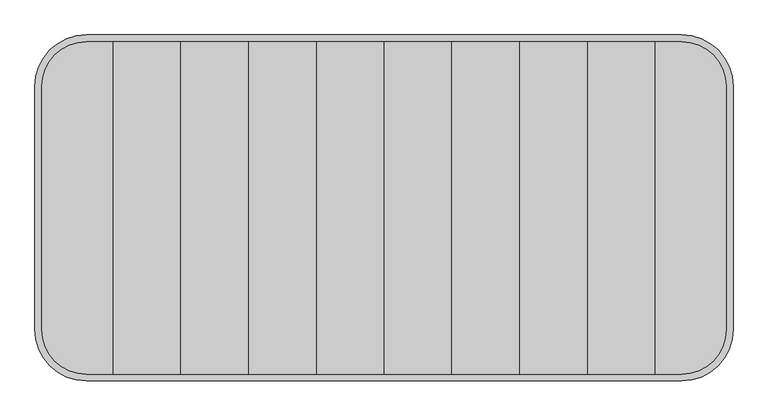
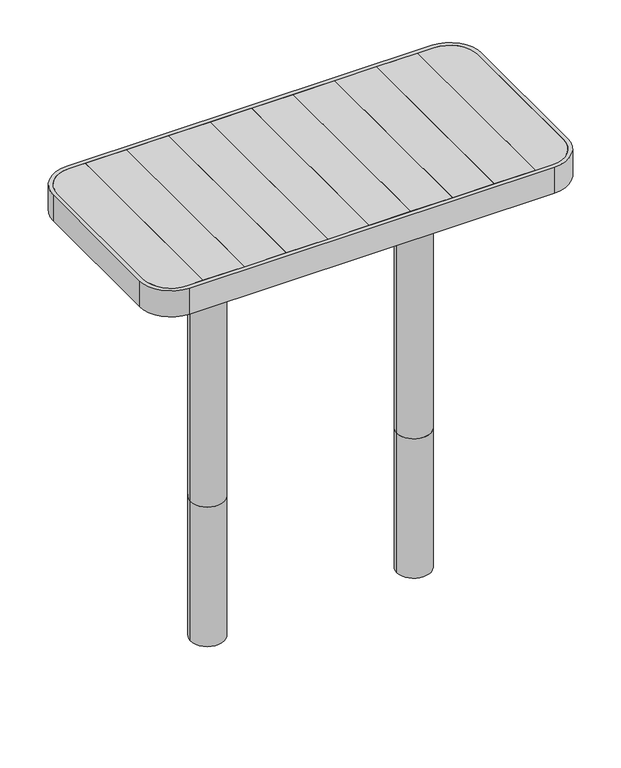
"""IFC4 building model written with IfcOpenShell, lengths in millimetres: furniture geometry."""

from ifc_helpers import new_model, si_unit, point, frame, frame_2d, origin, origin_with_axes, place, context, project, spatial, polyline, circle_curve, trimmed, segment, composite_curve, outline, extrude, source, transform, mapped, element, save
from ifc_brep_helpers import plane_surface, cylinder_surface, advanced_brep


def furniture_20cd4651(model_context):
    return source(origin(), model_context, "Body", "SolidModel", [
        extrude(outline(composite_curve([segment(polyline([(498.4574582, 177.0), (498.4574582, -177.0)]), True, "CONTINUOUS"), segment(trimmed(circle_curve(frame_2d((433.4574582, -177.0)), 65.0), [point((498.4574582, -177.0))], [point((433.4574582, -242.0))], False, "CARTESIAN"), True, "CONTINUOUS"), segment(polyline([(433.4574582, -242.0), (394.8, -242.0), (394.8, 242.0), (433.4574582, 242.0)]), True, "CONTINUOUS"), segment(trimmed(circle_curve(frame_2d((433.4574582, 177.0)), 65.0), [point((433.4574582, 242.0))], [point((498.4574582, 177.0))], False, "CARTESIAN"), True, "CONTINUOUS")], self_intersect=False)), frame((0.0, 0.0, 712.0), z_axis=(0.0, 0.0, 1.0), x_axis=(1.0, 0.0, 0.0)), (0.0, 0.0, 1.0), 28.0),
        extrude(outline(polyline([(296.1, -242.0), (197.4, -242.0), (197.4, 242.0), (296.1, 242.0), (296.1, -242.0)])), frame((0.0, 0.0, 712.0), z_axis=(0.0, 0.0, 1.0), x_axis=(1.0, 0.0, 0.0)), (0.0, 0.0, 1.0), 28.0),
        extrude(outline(polyline([(197.4, -242.0), (98.7, -242.0), (98.7, 242.0), (197.4, 242.0), (197.4, -242.0)])), frame((0.0, 0.0, 712.0), z_axis=(0.0, 0.0, 1.0), x_axis=(1.0, 0.0, 0.0)), (0.0, 0.0, 1.0), 28.0),
        extrude(outline(polyline([(98.7, -242.0), (0.0, -242.0), (0.0, 242.0), (98.7, 242.0), (98.7, -242.0)])), frame((0.0, 0.0, 712.0), z_axis=(0.0, 0.0, 1.0), x_axis=(1.0, 0.0, 0.0)), (0.0, 0.0, 1.0), 28.0),
        extrude(outline(polyline([(394.8, -242.0), (296.1, -242.0), (296.1, 242.0), (394.8, 242.0), (394.8, -242.0)])), frame((0.0, 0.0, 712.0), z_axis=(0.0, 0.0, 1.0), x_axis=(1.0, 0.0, 0.0)), (0.0, 0.0, 1.0), 28.0),
        extrude(outline(composite_curve([segment(trimmed(circle_curve(frame_2d((-433.4574582, 177.0)), 65.0), [point((-498.4574582, 177.0))], [point((-433.4574582, 242.0))], False, "CARTESIAN"), True, "CONTINUOUS"), segment(polyline([(-433.4574582, 242.0), (-394.8, 242.0), (-394.8, -242.0), (-433.4574582, -242.0)]), True, "CONTINUOUS"), segment(trimmed(circle_curve(frame_2d((-433.4574582, -177.0)), 65.0), [point((-433.4574582, -242.0))], [point((-498.4574582, -177.0))], False, "CARTESIAN"), True, "CONTINUOUS"), segment(polyline([(-498.4574582, -177.0), (-498.4574582, 177.0)]), True, "CONTINUOUS")], self_intersect=False)), frame((0.0, 0.0, 712.0), z_axis=(0.0, 0.0, 1.0), x_axis=(1.0, 0.0, 0.0)), (0.0, 0.0, 1.0), 28.0),
        extrude(outline(polyline([(-197.4, -242.0), (-296.1, -242.0), (-296.1, 242.0), (-197.4, 242.0), (-197.4, -242.0)])), frame((0.0, 0.0, 712.0), z_axis=(0.0, 0.0, 1.0), x_axis=(1.0, 0.0, 0.0)), (0.0, 0.0, 1.0), 28.0),
        extrude(outline(polyline([(-98.7, -242.0), (-197.4, -242.0), (-197.4, 242.0), (-98.7, 242.0), (-98.7, -242.0)])), frame((0.0, 0.0, 712.0), z_axis=(0.0, 0.0, 1.0), x_axis=(1.0, 0.0, 0.0)), (0.0, 0.0, 1.0), 28.0),
        extrude(outline(polyline([(0.0, -242.0), (-98.7, -242.0), (-98.7, 242.0), (0.0, 242.0), (0.0, -242.0)])), frame((0.0, 0.0, 712.0), z_axis=(0.0, 0.0, 1.0), x_axis=(1.0, 0.0, 0.0)), (0.0, 0.0, 1.0), 28.0),
        extrude(outline(polyline([(-296.1, -242.0), (-394.8, -242.0), (-394.8, 242.0), (-296.1, 242.0), (-296.1, -242.0)])), frame((0.0, 0.0, 712.0), z_axis=(0.0, 0.0, 1.0), x_axis=(1.0, 0.0, 0.0)), (0.0, 0.0, 1.0), 28.0),
        extrude(outline(composite_curve([segment(trimmed(circle_curve(frame_2d((244.75, 0.0)), 40.0), [point((284.75, 0.0))], [point((204.75, 0.0))], False, "CARTESIAN"), True, "CONTINUOUS"), segment(trimmed(circle_curve(frame_2d((244.75, 0.0)), 40.0), [point((204.75, 0.0))], [point((284.75, 0.0))], False, "CARTESIAN"), True, "CONTINUOUS")], self_intersect=False)), origin_with_axes(), (0.0, 0.0, 1.0), 708.0),
        extrude(outline(composite_curve([segment(trimmed(circle_curve(frame_2d((-244.75, 0.0)), 40.0), [point((-284.75, 0.0))], [point((-204.75, 0.0))], False, "CARTESIAN"), True, "CONTINUOUS"), segment(trimmed(circle_curve(frame_2d((-244.75, 0.0)), 40.0), [point((-204.75, 0.0))], [point((-284.75, 0.0))], False, "CARTESIAN"), True, "CONTINUOUS")], self_intersect=False)), origin_with_axes(), (0.0, 0.0, 1.0), 708.0),
        advanced_brep(
        [(-498.4574582, 177.0, 708.0), (-433.4574582, 242.0, 708.0), (433.4574582, 242.0, 708.0), (498.4574582, 177.0, 708.0), (498.4574582, -177.0, 708.0), (433.4574582, -242.0, 708.0), (-433.4574582, -242.0, 708.0), (-498.4574582, -177.0, 708.0), (-284.75, -142.0, 708.0), (-284.75, 142.0, 708.0), (-399.8, 141.9868511, 708.0), (-399.8, -142.0, 708.0), (-203.7333261, 142.0, 708.0), (-203.7333261, -142.0, 708.0), (203.7333261, -142.0, 708.0), (203.7333261, 142.0, 708.0), (399.8, 141.9868511, 708.0), (284.75, 141.9893576, 708.0), (284.75, -142.0, 708.0), (399.8, -142.0, 708.0), (-284.75, -142.0, 712.0), (-284.75, 142.0, 712.0), (-498.4574582, 177.0, 712.0), (-498.4574582, -177.0, 712.0), (-433.4574582, -242.0, 712.0), (433.4574582, -242.0, 712.0), (498.4574582, -177.0, 712.0), (498.4574582, 177.0, 712.0), (433.4574582, 242.0, 712.0), (-433.4574582, 242.0, 712.0), (-399.8, -142.0, 712.0), (-399.8, 141.9868511, 712.0), (-203.7333261, -142.0, 712.0), (-203.7333261, 142.0, 712.0), (203.7333261, 141.9911227, 712.0), (203.7333261, -142.0, 712.0), (399.8, -142.0, 712.0), (284.75, -142.0, 712.0), (284.75, 142.0, 712.0), (399.8, 141.9868511, 712.0)],
        [
            (0, 1, circle_curve(frame((-433.4574582, 177.0, 708.0), z_axis=(0.0, 0.0, -1.0), x_axis=(1.0, 0.0, 0.0)), 65.0)),
            (1, 2),
            (2, 3, circle_curve(frame((433.4574582, 177.0, 708.0), z_axis=(0.0, 0.0, -1.0), x_axis=(-1.0, 0.0, 0.0)), 65.0)),
            (3, 4),
            (4, 5, circle_curve(frame((433.4574582, -177.0, 708.0), z_axis=(0.0, 0.0, -1.0), x_axis=(-1.0, 0.0, 0.0)), 65.0)),
            (5, 6),
            (6, 7, circle_curve(frame((-433.4574582, -177.0, 708.0), z_axis=(0.0, 0.0, -1.0), x_axis=(1.0, 0.0, 0.0)), 65.0)),
            (7, 0),
            (8, 9),
            (9, 10),
            (10, 11),
            (11, 8),
            (12, 13),
            (13, 14),
            (14, 15),
            (15, 12),
            (16, 17),
            (17, 18),
            (18, 19),
            (19, 16),
            (8, 20),
            (20, 21),
            (21, 9),
            (22, 23),
            (23, 24, circle_curve(frame((-433.4574582, -177.0, 712.0), z_axis=(0.0, 0.0, 1.0), x_axis=(1.0, 0.0, 0.0)), 65.0)),
            (24, 25),
            (25, 26, circle_curve(frame((433.4574582, -177.0, 712.0), z_axis=(0.0, 0.0, 1.0), x_axis=(-1.0, 0.0, 0.0)), 65.0)),
            (26, 27),
            (27, 28, circle_curve(frame((433.4574582, 177.0, 712.0), z_axis=(0.0, 0.0, 1.0), x_axis=(-1.0, 0.0, 0.0)), 65.0)),
            (28, 29),
            (29, 22, circle_curve(frame((-433.4574582, 177.0, 712.0), z_axis=(0.0, 0.0, 1.0), x_axis=(1.0, 0.0, 0.0)), 65.0)),
            (20, 30),
            (30, 31),
            (31, 21),
            (32, 33),
            (33, 34),
            (34, 35),
            (35, 32),
            (36, 37),
            (37, 38),
            (38, 39),
            (39, 36),
            (12, 33),
            (32, 13),
            (22, 0),
            (7, 23),
            (6, 24),
            (5, 25),
            (4, 26),
            (3, 27),
            (2, 28),
            (1, 29),
            (15, 34),
            (31, 10),
            (16, 39),
            (38, 17),
            (19, 36),
            (35, 14),
            (18, 37),
            (11, 30),
        ],
        [
            plane_surface(frame((-284.75, -142.0, 708.0), z_axis=(0.0, 0.0, -1.0), x_axis=(0.0, 1.0, 0.0))),
            plane_surface(frame((-284.75, -142.0, 712.0), z_axis=(-1.0, 0.0, 0.0), x_axis=(0.0, 1.0, 0.0))),
            plane_surface(frame((-203.7333261, -142.0, 712.0), z_axis=(0.0, 0.0, 1.0), x_axis=(0.0, 1.0, 0.0))),
            plane_surface(frame((-203.7333261, -142.0, 708.0), z_axis=(1.0, 0.0, 0.0), x_axis=(0.0, 1.0, 0.0))),
            plane_surface(frame((-498.4574582, 177.0, 712.0), z_axis=(-1.0, 0.0, 0.0), x_axis=(0.0, 0.0, -1.0))),
            cylinder_surface(frame((-433.4574582, -177.0, 708.0), z_axis=(0.0, 0.0, 1.0), x_axis=(1.0, 0.0, 0.0)), 65.0),
            plane_surface(frame((-433.4574582, -242.0, 712.0), z_axis=(0.0, -1.0, 0.0), x_axis=(0.0, 0.0, -1.0))),
            cylinder_surface(frame((433.4574582, -177.0, 708.0), z_axis=(0.0, 0.0, 1.0), x_axis=(-1.0, 0.0, 0.0)), 65.0),
            plane_surface(frame((498.4574582, -177.0, 712.0), z_axis=(1.0, 0.0, 0.0), x_axis=(0.0, 0.0, -1.0))),
            cylinder_surface(frame((433.4574582, 177.0, 708.0), z_axis=(0.0, 0.0, 1.0), x_axis=(-1.0, 0.0, 0.0)), 65.0),
            plane_surface(frame((433.4574582, 242.0, 712.0), z_axis=(0.0, 1.0, 0.0), x_axis=(0.0, 0.0, -1.0))),
            cylinder_surface(frame((-433.4574582, 177.0, 708.0), z_axis=(0.0, 0.0, 1.0), x_axis=(1.0, 0.0, 0.0)), 65.0),
            plane_surface(frame((-399.8, 141.9868511, 712.0), z_axis=(0.0, -1.0, 0.0), x_axis=(0.0, 0.0, -1.0))),
            plane_surface(frame((399.8, 141.9868511, 712.0), z_axis=(-1.0, 0.0, 0.0), x_axis=(0.0, 0.0, -1.0))),
            plane_surface(frame((399.8, -142.0, 712.0), z_axis=(0.0, 1.0, 0.0), x_axis=(0.0, 0.0, -1.0))),
            plane_surface(frame((-399.8, -142.0, 712.0), z_axis=(1.0, 0.0, 0.0), x_axis=(0.0, 0.0, -1.0))),
            plane_surface(frame((284.75, -142.0, 708.0), z_axis=(1.0, 0.0, 0.0), x_axis=(0.0, 1.0, 0.0))),
            plane_surface(frame((203.7333261, -142.0, 712.0), z_axis=(-1.0, 0.0, 0.0), x_axis=(0.0, 1.0, 0.0))),
        ],
        [
            (0, [[1, 2, 3, 4, 5, 6, 7, 8], [9, 10, 11, 12], [13, 14, 15, 16], [17, 18, 19, 20]]),
            (1, [[-9, 21, 22, 23]]),
            (2, [[24, 25, 26, 27, 28, 29, 30, 31], [-22, 32, 33, 34], [35, 36, 37, 38], [39, 40, 41, 42]]),
            (3, [[-13, 43, -35, 44]]),
            (4, [[-24, 45, -8, 46]]),
            (5, [[-25, -46, -7, 47]]),
            (6, [[-26, -47, -6, 48]]),
            (7, [[-27, -48, -5, 49]]),
            (8, [[-28, -49, -4, 50]]),
            (9, [[-29, -50, -3, 51]]),
            (10, [[-30, -51, -2, 52]]),
            (11, [[-31, -52, -1, -45]]),
            (12, [[-43, -16, 53, -36]]),
            (12, [[54, -10, -23, -34]]),
            (12, [[55, -41, 56, -17]]),
            (13, [[-42, -55, -20, 57]]),
            (14, [[-44, -38, 58, -14]]),
            (14, [[-57, -19, 59, -39]]),
            (14, [[60, -32, -21, -12]]),
            (15, [[-33, -60, -11, -54]]),
            (16, [[-18, -56, -40, -59]]),
            (17, [[-15, -58, -37, -53]]),
        ],
    ),
        extrude(outline(composite_curve([segment(polyline([(508.4574582, 177.0), (508.4574582, -177.0)]), True, "CONTINUOUS"), segment(trimmed(circle_curve(frame_2d((433.4574582, -177.0)), 75.0), [point((508.4574582, -177.0))], [point((433.4574582, -252.0))], False, "CARTESIAN"), True, "CONTINUOUS"), segment(polyline([(433.4574582, -252.0), (-433.4574582, -252.0)]), True, "CONTINUOUS"), segment(trimmed(circle_curve(frame_2d((-433.4574582, -177.0)), 75.0), [point((-433.4574582, -252.0))], [point((-508.4574582, -177.0))], False, "CARTESIAN"), True, "CONTINUOUS"), segment(polyline([(-508.4574582, -177.0), (-508.4574582, 177.0)]), True, "CONTINUOUS"), segment(trimmed(circle_curve(frame_2d((-433.4574582, 177.0)), 75.0), [point((-508.4574582, 177.0))], [point((-433.4574582, 252.0))], False, "CARTESIAN"), True, "CONTINUOUS"), segment(polyline([(-433.4574582, 252.0), (433.4574582, 252.0)]), True, "CONTINUOUS"), segment(trimmed(circle_curve(frame_2d((433.4574582, 177.0)), 75.0), [point((433.4574582, 252.0))], [point((508.4574582, 177.0))], False, "CARTESIAN"), True, "CONTINUOUS")], self_intersect=False), holes=[composite_curve([segment(trimmed(circle_curve(frame_2d((-433.4574582, 177.0)), 65.0), [point((-433.4574582, 242.0))], [point((-498.4574582, 177.0))], True, "CARTESIAN"), True, "CONTINUOUS"), segment(polyline([(-498.4574582, 177.0), (-498.4574582, -177.0)]), True, "CONTINUOUS"), segment(trimmed(circle_curve(frame_2d((-433.4574582, -177.0)), 65.0), [point((-498.4574582, -177.0))], [point((-433.4574582, -242.0))], True, "CARTESIAN"), True, "CONTINUOUS"), segment(polyline([(-433.4574582, -242.0), (433.4574582, -242.0)]), True, "CONTINUOUS"), segment(trimmed(circle_curve(frame_2d((433.4574582, -177.0)), 65.0), [point((433.4574582, -242.0))], [point((498.4574582, -177.0))], True, "CARTESIAN"), True, "CONTINUOUS"), segment(polyline([(498.4574582, -177.0), (498.4574582, 177.0)]), True, "CONTINUOUS"), segment(trimmed(circle_curve(frame_2d((433.4574582, 177.0)), 65.0), [point((498.4574582, 177.0))], [point((433.4574582, 242.0))], True, "CARTESIAN"), True, "CONTINUOUS"), segment(polyline([(433.4574582, 242.0), (-433.4574582, 242.0)]), True, "CONTINUOUS")], self_intersect=False)]), frame((0.0, 0.0, 675.0000413), z_axis=(0.0, 0.0, 1.0), x_axis=(1.0, 0.0, 0.0)), (0.0, 0.0, 1.0), 64.9999587),
        extrude(outline(composite_curve([segment(trimmed(circle_curve(frame_2d((244.75, 0.0)), 40.0), [point((284.75, 0.0))], [point((204.75, 0.0))], False, "CARTESIAN"), True, "CONTINUOUS"), segment(trimmed(circle_curve(frame_2d((244.75, 0.0)), 40.0), [point((204.75, 0.0))], [point((284.75, 0.0))], False, "CARTESIAN"), True, "CONTINUOUS")], self_intersect=False)), frame((0.0, 0.0, -350.0), z_axis=(0.0, 0.0, 1.0), x_axis=(1.0, 0.0, 0.0)), (0.0, 0.0, 1.0), 350.0),
        extrude(outline(composite_curve([segment(trimmed(circle_curve(frame_2d((-244.75, 0.0)), 40.0), [point((-284.75, 0.0))], [point((-204.75, 0.0))], False, "CARTESIAN"), True, "CONTINUOUS"), segment(trimmed(circle_curve(frame_2d((-244.75, 0.0)), 40.0), [point((-204.75, 0.0))], [point((-284.75, 0.0))], False, "CARTESIAN"), True, "CONTINUOUS")], self_intersect=False)), frame((0.0, 0.0, -350.0), z_axis=(0.0, 0.0, 1.0), x_axis=(1.0, 0.0, 0.0)), (0.0, 0.0, 1.0), 350.0),
    ])


if __name__ == "__main__":
    model = new_model("IFC4")
    model_context = context("Model", 3, world=origin())
    ifc_project = project(units=[si_unit("LENGTHUNIT", "METRE", prefix="MILLI")], contexts=[model_context])
    site = spatial("IfcSite", under=ifc_project)
    building = spatial("IfcBuilding", under=site)
    placement = place(None, origin())
    furniture_shape = furniture_20cd4651(model_context)
    element("IfcFurniture", 1, at=placement, inside=building, context=model_context, shape_type="MappedRepresentation", body=[
        mapped(furniture_shape, transform((0.0, 0.0, 0.0), x_axis=(1.0, 0.0, 0.0), y_axis=(0.0, 1.0, 0.0), z_axis=(0.0, 0.0, 1.0))),
    ])
    save(model, "model.ifc")
